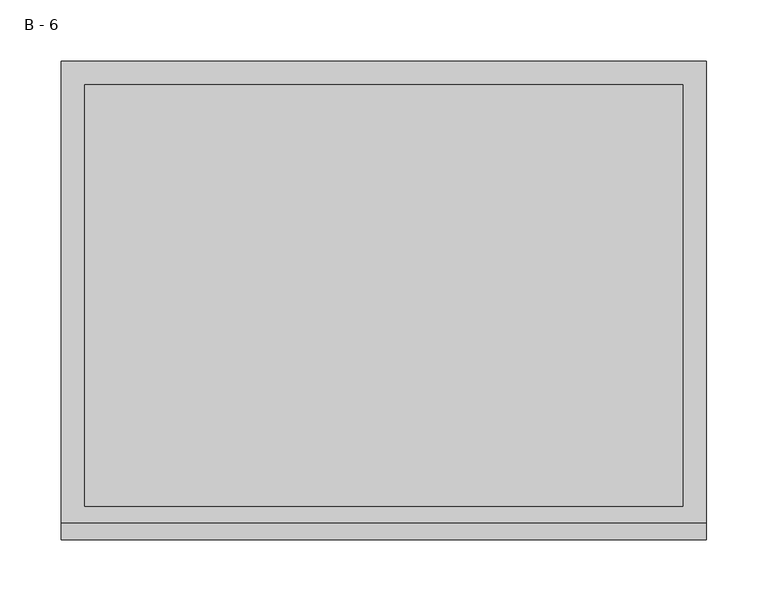
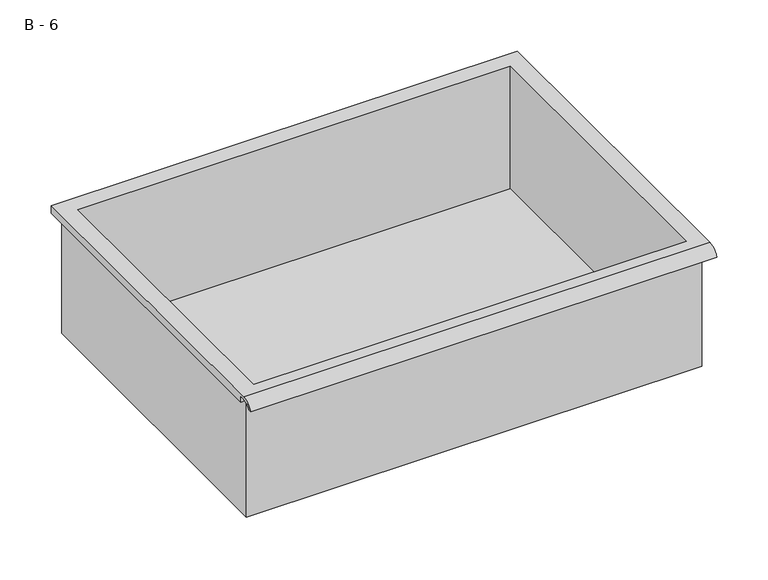
"""IFC4 building model written with IfcOpenShell, lengths in millimetres: furniture geometry, B - 6."""

from ifc_helpers import new_model, si_unit, frame, origin, place, context, project, spatial, polyline, circle_curve, source, transform, mapped, element, save
from ifc_brep_helpers import plane_surface, cylinder_surface, revolved_surface, advanced_brep


def b_6_ba31b3f9(model_context):
    return source(origin(), model_context, "Body", "AdvancedBrep", [
        advanced_brep(
        [(-257.1076517, -176.2125, 357.1875), (257.2423483, -176.2125, 357.1875), (257.2423483, -176.2125, 496.8875), (263.5923483, -176.2125, 496.8875), (263.5923483, -176.2125, 503.1946341), (-263.4576517, -176.2125, 503.1946341), (-263.4576517, -176.2125, 496.8875), (-257.1076517, -176.2125, 496.8875), (257.2423483, 185.7375, 357.1875), (-257.1076517, 185.7375, 357.1875), (-257.1076517, 185.7375, 496.8875), (257.2423483, 185.7375, 496.8875), (263.5923483, -181.6070544, 506.4125), (263.5923483, 195.2625, 506.4125), (-263.4576517, 195.2625, 506.4125), (-263.4576517, -181.6070544, 506.4125), (244.5423483, -168.275, 506.4125), (-244.4076517, -168.275, 506.4125), (-244.4076517, 176.2125, 506.4125), (244.5423483, 176.2125, 506.4125), (263.5923483, -195.2625, 496.8875), (263.5923483, -191.8280601, 496.8875), (263.5923483, -180.4714815, 503.1946341), (263.5923483, 195.2625, 496.8875), (-263.4576517, 195.2625, 496.8875), (-263.4576517, -180.4714815, 503.1946341), (-263.4576517, -191.8280601, 496.8875), (-263.4576517, -195.2625, 496.8875), (-244.4076517, -168.275, 360.2136719), (244.5423483, -168.275, 360.2136719), (244.5423483, 176.2125, 360.2136719), (-244.4076517, 176.2125, 360.2136719)],
        [
            (0, 1),
            (1, 2),
            (2, 3),
            (3, 4),
            (4, 5),
            (5, 6),
            (6, 7),
            (7, 0),
            (8, 9),
            (9, 10),
            (10, 11),
            (11, 8),
            (0, 9),
            (8, 1),
            (11, 2),
            (12, 13),
            (13, 14),
            (14, 15),
            (15, 12),
            (16, 17),
            (17, 18),
            (18, 19),
            (19, 16),
            (7, 10),
            (12, 20, circle_curve(frame((263.5923483, -181.6070544, 491.8614859), z_axis=(1.0, 0.0, 0.0), x_axis=(0.0, 1.0, 0.0)), 14.5510141)),
            (20, 21),
            (21, 22, circle_curve(frame((263.5923483, -181.6070544, 491.8614859), z_axis=(-1.0, 0.0, 0.0), x_axis=(0.0, 1.0, 0.0)), 11.3898979)),
            (22, 4),
            (3, 23),
            (23, 13),
            (14, 24),
            (24, 6),
            (5, 25),
            (25, 26, circle_curve(frame((-263.4576517, -181.6070544, 491.8614859), z_axis=(1.0, 0.0, 0.0), x_axis=(0.0, 1.0, 0.0)), 11.3898979)),
            (26, 27),
            (27, 15, circle_curve(frame((-263.4576517, -181.6070544, 491.8614859), z_axis=(-1.0, 0.0, 0.0), x_axis=(0.0, 1.0, 0.0)), 14.5510141)),
            (27, 20),
            (26, 21),
            (25, 22),
            (24, 23),
            (28, 29),
            (29, 30),
            (30, 31),
            (31, 28),
            (28, 17),
            (16, 29),
            (19, 30),
            (18, 31),
        ],
        [
            plane_surface(frame((257.2423483, -176.2125, 357.1875), z_axis=(0.0, -1.0, 0.0), x_axis=(1.0, 0.0, 0.0))),
            plane_surface(frame((257.2423483, 185.7375, 357.1875), z_axis=(0.0, 1.0, 0.0), x_axis=(-1.0, 0.0, 0.0))),
            plane_surface(frame((-257.1076517, -176.2125, 357.1875), z_axis=(0.0, 0.0, -1.0), x_axis=(0.0, 1.0, 0.0))),
            plane_surface(frame((257.2423483, -176.2125, 357.1875), z_axis=(1.0, 0.0, 0.0), x_axis=(0.0, 1.0, 0.0))),
            plane_surface(frame((257.2423483, -176.2125, 506.4125), z_axis=(0.0, 0.0, 1.0), x_axis=(0.0, 1.0, 0.0))),
            plane_surface(frame((-257.1076517, -176.2125, 506.4125), z_axis=(-1.0, 0.0, 0.0), x_axis=(0.0, 1.0, 0.0))),
            plane_surface(frame((263.5923483, 195.2625, 506.4125), z_axis=(1.0, 0.0, 0.0), x_axis=(0.0, -1.0, 0.0))),
            plane_surface(frame((-263.4576517, 195.2625, 506.4125), z_axis=(-1.0, 0.0, 0.0), x_axis=(0.0, 1.0, 0.0))),
            cylinder_surface(frame((-263.4576517, -181.6070544, 491.8614859), z_axis=(1.0, 0.0, 0.0), x_axis=(0.0, 1.0, 0.0)), 14.5510141),
            plane_surface(frame((263.5923483, -195.2625, 496.8875), z_axis=(0.0, -7.232115144331015e-12, -1.0), x_axis=(-1.0, 0.0, 0.0))),
            revolved_surface(polyline([(-263.4576517, -170.21715650000002, 491.8614859), (263.59234829999997, -170.21715650000002, 491.8614859)]), (-263.4576517, -181.6070544, 491.8614859), (-1.0, 0.0, 0.0)),
            plane_surface(frame((263.5923483, -180.4714815, 503.1946341), z_axis=(0.0, -1.789319213297562e-11, -1.0), x_axis=(-1.0, 0.0, 0.0))),
            plane_surface(frame((263.5923483, -176.2125, 496.8875), z_axis=(0.0, 0.0, -1.0), x_axis=(-1.0, 0.0, 0.0))),
            plane_surface(frame((263.5923483, 195.2625, 496.8875), z_axis=(0.0, 1.0, 0.0), x_axis=(-1.0, 0.0, 0.0))),
            plane_surface(frame((244.5423483, -168.275, 360.2136719), z_axis=(0.0, 0.0, 1.0), x_axis=(-1.0, 0.0, 0.0))),
            plane_surface(frame((-244.4076517, -168.275, 506.4125), z_axis=(0.0, 1.0, 0.0), x_axis=(0.0, 0.0, -1.0))),
            plane_surface(frame((244.5423483, -168.275, 506.4125), z_axis=(-1.0, 0.0, 0.0), x_axis=(0.0, 0.0, -1.0))),
            plane_surface(frame((244.5423483, 176.2125, 506.4125), z_axis=(0.0, -1.0, 0.0), x_axis=(0.0, 0.0, -1.0))),
            plane_surface(frame((-244.4076517, 176.2125, 506.4125), z_axis=(1.0, 0.0, 0.0), x_axis=(0.0, 0.0, -1.0))),
        ],
        [
            (0, [[1, 2, 3, 4, 5, 6, 7, 8]]),
            (1, [[9, 10, 11, 12]]),
            (2, [[-1, 13, -9, 14]]),
            (3, [[-14, -12, 15, -2]]),
            (4, [[16, 17, 18, 19], [20, 21, 22, 23]]),
            (5, [[-13, -8, 24, -10]]),
            (6, [[-16, 25, 26, 27, 28, -4, 29, 30]]),
            (7, [[31, 32, -6, 33, 34, 35, 36, -18]]),
            (8, [[-25, -19, -36, 37]]),
            (9, [[-26, -37, -35, 38]]),
            (10, [[-27, -38, -34, 39]]),
            (11, [[-28, -39, -33, -5]]),
            (12, [[-29, -3, -15, -11, -24, -7, -32, 40]]),
            (13, [[-30, -40, -31, -17]]),
            (14, [[41, 42, 43, 44]]),
            (15, [[-41, 45, -20, 46]]),
            (16, [[-42, -46, -23, 47]]),
            (17, [[-43, -47, -22, 48]]),
            (18, [[-44, -48, -21, -45]]),
        ],
    ),
    ])


if __name__ == "__main__":
    model = new_model("IFC4")
    model_context = context("Model", 3, world=origin())
    ifc_project = project(units=[si_unit("LENGTHUNIT", "METRE", prefix="MILLI")], contexts=[model_context])
    site = spatial("IfcSite", under=ifc_project)
    building = spatial("IfcBuilding", under=site)
    placement = place(None, origin())
    b_6_shape = b_6_ba31b3f9(model_context)
    element("IfcFurniture", 1, ObjectType="B - 6", at=placement, inside=building, context=model_context, shape_type="MappedRepresentation", body=[
        mapped(b_6_shape, transform((0.0, 0.0, 0.0), x_axis=(1.0, 0.0, 0.0), y_axis=(0.0, 1.0, 0.0), z_axis=(0.0, 0.0, 1.0))),
    ])
    save(model, "model.ifc")
